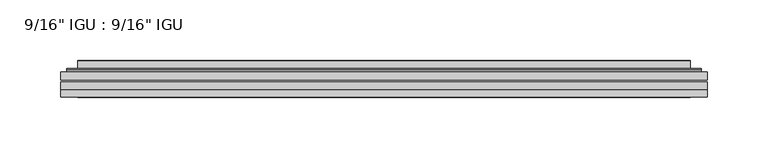
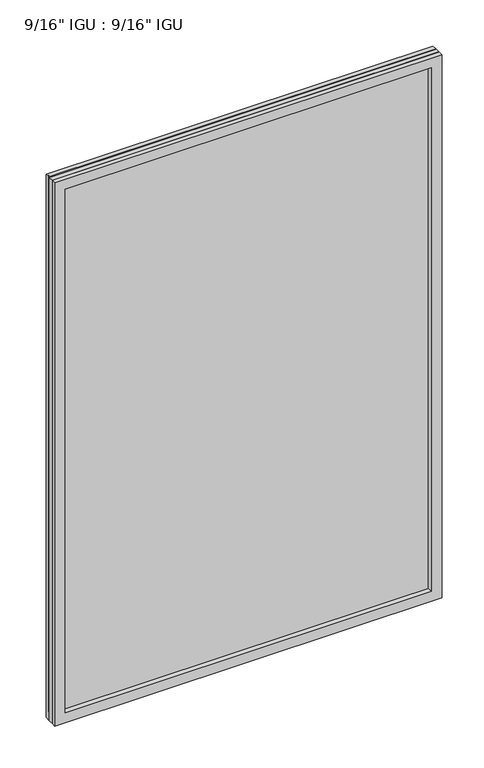
"""IFC4 building model written with IfcOpenShell, lengths in millimetres: plate geometry."""

from ifc_helpers import new_model, si_unit, frame, origin, place, context, project, spatial, polyline, ellipse_curve, outline, extrude, faceted_brep, source, transform, mapped, element, save
from ifc_brep_helpers import plane_surface, cylinder_surface, advanced_brep


def plate_5f273dda(model_context):
    return source(origin(), model_context, "Body", "SolidModel", [
        extrude(outline(polyline([(266.714175, -54.78145), (266.714175, -61.1317818), (-266.7, -61.1317818), (-266.7, -54.78145), (266.714175, -54.78145)])), frame((0.0, 0.0, -14.2875), z_axis=(0.0, 0.0, 1.0), x_axis=(1.0, 0.0, 0.0)), (0.0, 0.0, 1.0), 790.596575),
        extrude(outline(polyline([(-266.7, -69.05625), (-266.7, -62.705745), (266.714175, -62.705745), (266.714175, -69.05625), (-266.7, -69.05625)])), frame((0.0, 0.0, -14.2875), z_axis=(0.0, 0.0, 1.0), x_axis=(1.0, 0.0, 0.0)), (0.0, 0.0, 1.0), 790.596575),
        faceted_brep([(-266.7127, -75.40625, 776.3179772), (-266.7127, -69.05625, 776.3179772), (-266.7127, -69.05625, -14.3002), (-266.7127, -75.40625, -14.3002), (266.7127, -69.05625, -14.3002), (266.7127, -75.40625, -14.3002), (266.7127, -69.05625, 776.3179772), (266.7127, -75.40625, 776.3179772), (-251.5147559, -69.05625, 0.8977441), (251.5147559, -69.05625, 0.8977441), (251.5147559, -69.05625, 761.120033), (-251.5147559, -69.05625, 761.120033), (-252.4071902, -75.40625, 762.0124673), (252.4071902, -75.40625, 762.0124673), (252.4071902, -75.40625, 0.0053098), (-252.4071902, -75.40625, 0.0053098)], [[[0, 1, 2, 3]], [[3, 2, 4, 5]], [[5, 4, 6, 7]], [[1, 6, 4, 2], [8, 9, 10, 11]], [[7, 6, 1, 0]], [[3, 5, 7, 0], [12, 13, 14, 15]], [[11, 12, 15, 8]], [[8, 15, 14, 9]], [[9, 14, 13, 10]], [[10, 13, 12, 11]]]),
        advanced_brep(
        [(-259.458719, -54.78145, 769.0639962), (-261.8129244, -52.7917833, 771.4182015), (-261.8129244, -52.7917833, -9.4004244), (-259.458719, -54.78145, -7.046219), (-250.3843939, -50.941413, 759.9896711), (-245.4495621, -54.78145, 755.0548392), (-245.4495621, -54.78145, 6.9629379), (-250.3843939, -50.941413, 2.0281061), (-251.4164217, -45.5441819, 761.0216988), (-251.4164217, -45.5441819, 0.9960783), (-252.4070784, -45.1452069, 762.0123556), (-252.4070784, -45.1452069, 0.0054216), (-252.4070784, -51.60645, 762.0123556), (-252.4070784, -51.60645, 0.0054216), (-260.8111349, -51.60645, 770.416412), (-260.8111349, -51.60645, -8.3986349), (261.8129244, -52.7917833, -9.4004244), (259.458719, -54.78145, -7.046219), (245.4495621, -54.78145, 6.9629379), (250.3843939, -50.941413, 2.0281061), (251.4164217, -45.5441819, 0.9960783), (252.4070784, -45.1452069, 0.0054216), (252.4070784, -51.60645, 0.0054216), (260.8111349, -51.60645, -8.3986349), (261.8129244, -52.7917833, 771.4182015), (259.458719, -54.78145, 769.0639962), (245.4495621, -54.78145, 755.0548392), (250.3843939, -50.941413, 759.9896711), (251.4164217, -45.5441819, 761.0216988), (252.4070784, -45.1452069, 762.0123556), (252.4070784, -51.60645, 762.0123556), (260.8111349, -51.60645, 770.416412)],
        [
            (0, 1, ellipse_curve(frame((-259.458719, -52.39385, 769.0639962), z_axis=(-0.7071067811865475, 0.0, -0.7071067811865475), x_axis=(-0.7071067811865474, 0.0, 0.7071067811865476)), 3.3765763, 2.3876)),
            (1, 2),
            (2, 3, ellipse_curve(frame((-259.458719, -52.39385, -7.046219), z_axis=(-0.7071067811865475, 0.0, 0.7071067811865475), x_axis=(0.7071067811865474, 0.0, 0.7071067811865476)), 3.3765763, 2.3876)),
            (3, 0),
            (4, 5),
            (5, 6),
            (6, 7),
            (7, 4),
            (8, 4),
            (7, 9),
            (9, 8),
            (10, 8, ellipse_curve(frame((-252.0401219, -45.6634423, 761.645399), z_axis=(-0.7071067811865475, 0.0, -0.7071067811865475), x_axis=(-0.7071067811865474, 0.0, 0.7071067811865476)), 0.8980256, 0.635)),
            (9, 11, ellipse_curve(frame((-252.0401219, -45.6634423, 0.3723781), z_axis=(-0.7071067811865475, 0.0, 0.7071067811865475), x_axis=(0.7071067811865474, 0.0, 0.7071067811865476)), 0.8980256, 0.635)),
            (11, 10),
            (12, 10),
            (11, 13),
            (13, 12),
            (1, 14, ellipse_curve(frame((-260.8111349, -52.62245, 770.416412), z_axis=(-0.7071067811865475, 0.0, -0.7071067811865475), x_axis=(-0.7071067811865474, 0.0, 0.7071067811865476)), 1.436841, 1.016)),
            (14, 15),
            (15, 2, ellipse_curve(frame((-260.8111349, -52.62245, -8.3986349), z_axis=(-0.7071067811865475, 0.0, 0.7071067811865475), x_axis=(0.7071067811865474, 0.0, 0.7071067811865476)), 1.436841, 1.016)),
            (2, 16),
            (16, 17, ellipse_curve(frame((259.458719, -52.39385, -7.046219), z_axis=(-0.7071067811865475, 0.0, -0.7071067811865475), x_axis=(-0.7071067811865476, 0.0, 0.7071067811865474)), 3.3765763, 2.3876)),
            (17, 3),
            (6, 18),
            (18, 19),
            (19, 7),
            (19, 20),
            (20, 9),
            (20, 21, ellipse_curve(frame((252.0401219, -45.6634423, 0.3723781), z_axis=(-0.7071067811865475, 0.0, -0.7071067811865475), x_axis=(-0.7071067811865476, 0.0, 0.7071067811865474)), 0.8980256, 0.635)),
            (21, 11),
            (21, 22),
            (22, 13),
            (15, 23),
            (23, 16, ellipse_curve(frame((260.8111349, -52.62245, -8.3986349), z_axis=(-0.7071067811865475, 0.0, -0.7071067811865475), x_axis=(-0.7071067811865476, 0.0, 0.7071067811865474)), 1.436841, 1.016)),
            (16, 24),
            (24, 25, ellipse_curve(frame((259.458719, -52.39385, 769.0639962), z_axis=(0.7071067811865475, 0.0, -0.7071067811865475), x_axis=(-0.7071067811865474, 0.0, -0.7071067811865476)), 3.3765763, 2.3876)),
            (25, 17),
            (18, 26),
            (26, 27),
            (27, 19),
            (27, 28),
            (28, 20),
            (28, 29, ellipse_curve(frame((252.0401219, -45.6634423, 761.645399), z_axis=(0.7071067811865475, 0.0, -0.7071067811865475), x_axis=(-0.7071067811865474, 0.0, -0.7071067811865476)), 0.8980256, 0.635)),
            (29, 21),
            (29, 30),
            (30, 22),
            (23, 31),
            (31, 24, ellipse_curve(frame((260.8111349, -52.62245, 770.416412), z_axis=(0.7071067811865475, 0.0, -0.7071067811865475), x_axis=(-0.7071067811865474, 0.0, -0.7071067811865476)), 1.436841, 1.016)),
            (24, 1),
            (0, 25),
            (5, 26),
            (4, 27),
            (8, 28),
            (10, 29),
            (12, 30),
            (14, 31),
        ],
        [
            cylinder_surface(frame((-259.458719, -52.39385, 793.7677772), z_axis=(0.0, 0.0, 1.0), x_axis=(-1.0, 0.0, 0.0)), 2.3876),
            plane_surface(frame((-245.4495621, -54.78145, 755.0548392), z_axis=(0.6141233906514794, 0.7892100234124821, 0.0), x_axis=(0.0, 0.0, -1.0))),
            plane_surface(frame((-250.3843939, -50.941413, 759.9896711), z_axis=(0.9822050625507728, 0.18781164793386088, 0.0), x_axis=(0.0, 0.0, -1.0))),
            cylinder_surface(frame((-252.0401219, -45.6634423, 793.7677772), z_axis=(0.0, 0.0, 1.0), x_axis=(-1.0, 0.0, 0.0)), 0.635),
            plane_surface(frame((-252.4070784, -45.1452069, 762.0123556), z_axis=(-1.0, 0.0, 0.0), x_axis=(0.0, 0.0, -1.0))),
            cylinder_surface(frame((-260.8111349, -52.62245, 793.7677772), z_axis=(0.0, 0.0, 1.0), x_axis=(-1.0, 0.0, 0.0)), 1.016),
            cylinder_surface(frame((-284.1625, -52.39385, -7.046219), z_axis=(-1.0, 0.0, 0.0), x_axis=(0.0, 0.0, -1.0)), 2.3876),
            plane_surface(frame((-245.4495621, -54.78145, 6.9629379), z_axis=(0.0, 0.7892100234124841, 0.6141233906514768), x_axis=(1.0, 0.0, 0.0))),
            plane_surface(frame((-250.3843939, -50.941413, 2.0281061), z_axis=(0.0, 0.18781164793386404, 0.9822050625507722), x_axis=(1.0, 0.0, 0.0))),
            cylinder_surface(frame((-284.1625, -45.6634423, 0.3723781), z_axis=(-1.0, 0.0, 0.0), x_axis=(0.0, 0.0, -1.0)), 0.635),
            plane_surface(frame((-252.4070784, -45.1452069, 0.0054216), z_axis=(0.0, 0.0, -1.0), x_axis=(1.0, 0.0, 0.0))),
            cylinder_surface(frame((-284.1625, -52.62245, -8.3986349), z_axis=(-1.0, 0.0, 0.0), x_axis=(0.0, 0.0, -1.0)), 1.016),
            cylinder_surface(frame((259.458719, -52.39385, -31.75), z_axis=(0.0, 0.0, -1.0), x_axis=(1.0, 0.0, 0.0)), 2.3876),
            plane_surface(frame((245.4495621, -54.78145, 6.9629379), z_axis=(-0.6141233906514743, 0.7892100234124861, 0.0), x_axis=(0.0, 0.0, 1.0))),
            plane_surface(frame((250.3843939, -50.941413, 2.0281061), z_axis=(-0.9822050625507717, 0.1878116479338672, 0.0), x_axis=(0.0, 0.0, 1.0))),
            cylinder_surface(frame((252.0401219, -45.6634423, -31.75), z_axis=(0.0, 0.0, -1.0), x_axis=(1.0, 0.0, 0.0)), 0.635),
            plane_surface(frame((252.4070784, -45.1452069, 0.0054216), z_axis=(1.0, 0.0, 0.0), x_axis=(0.0, 0.0, 1.0))),
            cylinder_surface(frame((260.8111349, -52.62245, -31.75), z_axis=(0.0, 0.0, -1.0), x_axis=(1.0, 0.0, 0.0)), 1.016),
            cylinder_surface(frame((284.1625, -52.39385, 769.0639962), z_axis=(1.0, 0.0, 0.0), x_axis=(0.0, 0.0, 1.0)), 2.3876),
            plane_surface(frame((259.458719, -54.78145, 769.0639962), z_axis=(0.0, -1.0, 0.0), x_axis=(-1.0, 0.0, 0.0))),
            plane_surface(frame((245.4495621, -54.78145, 755.0548392), z_axis=(0.0, 0.7892100234124841, -0.6141233906514768), x_axis=(-1.0, 0.0, 0.0))),
            plane_surface(frame((250.3843939, -50.941413, 759.9896711), z_axis=(0.0, 0.18781164793386404, -0.9822050625507722), x_axis=(-1.0, 0.0, 0.0))),
            cylinder_surface(frame((284.1625, -45.6634423, 761.645399), z_axis=(1.0, 0.0, 0.0), x_axis=(0.0, 0.0, 1.0)), 0.635),
            plane_surface(frame((252.4070784, -45.1452069, 762.0123556), z_axis=(0.0, 0.0, 1.0), x_axis=(-1.0, 0.0, 0.0))),
            plane_surface(frame((252.4070784, -51.60645, 762.0123556), z_axis=(0.0, 1.0, 0.0), x_axis=(-1.0, 0.0, 0.0))),
            cylinder_surface(frame((284.1625, -52.62245, 770.416412), z_axis=(1.0, 0.0, 0.0), x_axis=(0.0, 0.0, 1.0)), 1.016),
        ],
        [
            (0, [[1, 2, 3, 4]]),
            (1, [[5, 6, 7, 8]]),
            (2, [[9, -8, 10, 11]]),
            (3, [[12, -11, 13, 14]]),
            (4, [[15, -14, 16, 17]]),
            (5, [[18, 19, 20, -2]]),
            (6, [[-3, 21, 22, 23]]),
            (7, [[-7, 24, 25, 26]]),
            (8, [[-10, -26, 27, 28]]),
            (9, [[-13, -28, 29, 30]]),
            (10, [[-16, -30, 31, 32]]),
            (11, [[-20, 33, 34, -21]]),
            (12, [[-22, 35, 36, 37]]),
            (13, [[-25, 38, 39, 40]]),
            (14, [[-27, -40, 41, 42]]),
            (15, [[-29, -42, 43, 44]]),
            (16, [[-31, -44, 45, 46]]),
            (17, [[-34, 47, 48, -35]]),
            (18, [[-36, 49, -1, 50]]),
            (19, [[-23, -37, -50, -4], [51, -38, -24, -6]]),
            (20, [[-39, -51, -5, 52]]),
            (21, [[-41, -52, -9, 53]]),
            (22, [[-43, -53, -12, 54]]),
            (23, [[-45, -54, -15, 55]]),
            (24, [[56, -47, -33, -19], [-32, -46, -55, -17]]),
            (25, [[-48, -56, -18, -49]]),
        ],
    ),
    ])


if __name__ == "__main__":
    model = new_model("IFC4")
    model_context = context("Model", 3, world=origin())
    ifc_project = project(units=[si_unit("LENGTHUNIT", "METRE", prefix="MILLI")], contexts=[model_context])
    site = spatial("IfcSite", under=ifc_project)
    building = spatial("IfcBuilding", under=site)
    placement = place(None, origin())
    plate_shape = plate_5f273dda(model_context)
    element("IfcPlate", 1, ObjectType="9/16\" IGU : 9/16\" IGU", at=placement, inside=building, context=model_context, shape_type="MappedRepresentation", body=[
        mapped(plate_shape, transform((0.0, 0.0, 0.0), x_axis=(1.0, 0.0, 0.0), y_axis=(0.0, 1.0, 0.0), z_axis=(0.0, 0.0, 1.0))),
    ])
    save(model, "model.ifc")
